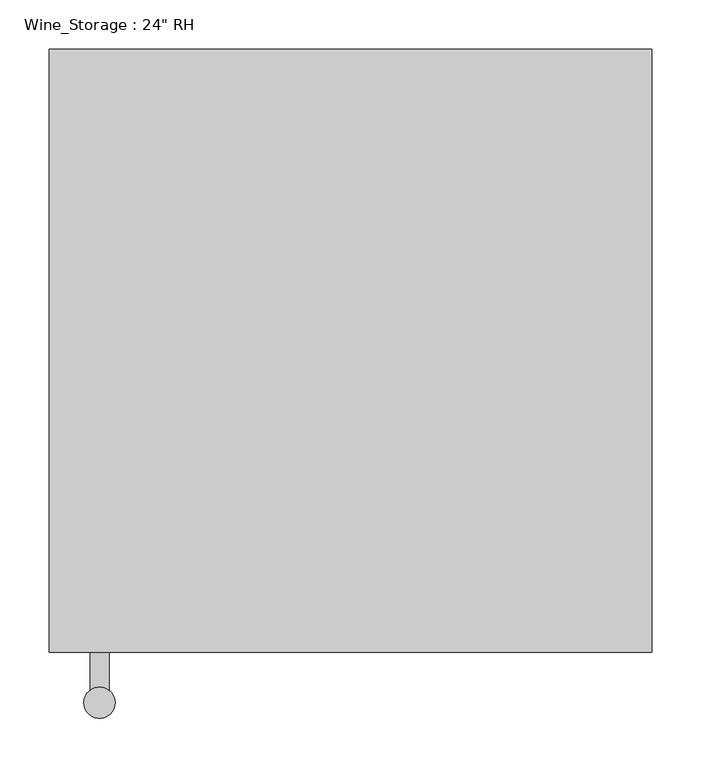
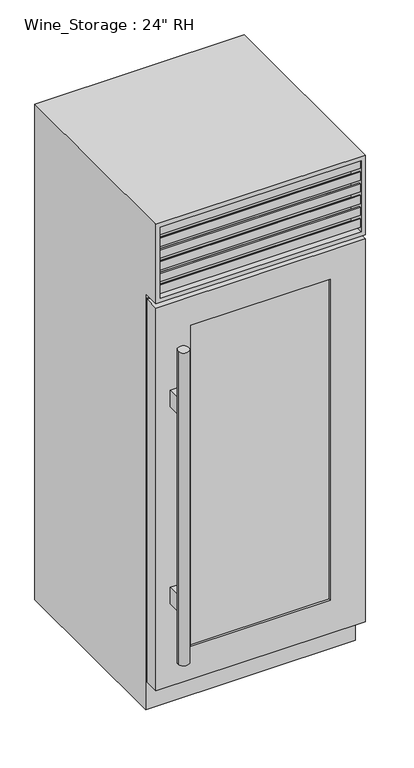
"""IFC4 building model written with IfcOpenShell, lengths in millimetres: proxy geometry."""

from ifc_helpers import new_model, si_unit, frame, origin, place, context, project, spatial, polyline, circle_curve, ellipse_curve, outline, extrude, faceted_brep, source, transform, mapped, element, save
from ifc_brep_helpers import plane_surface, cylinder_surface, advanced_brep


def proxy_4deba50d(model_context):
    return source(origin(), model_context, "Body", "SolidModel", [
        extrude(outline(polyline([(-660.4, 1292.225), (-708.025, 1304.9860803), (-708.025, 1330.3860803), (-704.85, 1330.3860803), (-704.85, 1307.5368938), (-660.4, 1295.6265522), (-660.4, 1292.225)])), frame((-292.1, 0.0, 0.0), z_axis=(1.0, 0.0, 0.0), x_axis=(0.0, 1.0, 0.0)), (0.0, 0.0, 1.0), 584.2),
        extrude(outline(polyline([(-660.4, 1328.4077839), (-708.025, 1341.1688642), (-708.025, 1366.5688642), (-704.85, 1366.5688642), (-704.85, 1343.7196777), (-660.4, 1331.8093361), (-660.4, 1328.4077839)])), frame((-292.1, 0.0, 0.0), z_axis=(1.0, 0.0, 0.0), x_axis=(0.0, 1.0, 0.0)), (0.0, 0.0, 1.0), 584.2),
        extrude(outline(polyline([(-660.4, 1364.5905679), (-708.025, 1377.3516482), (-708.025, 1402.7516482), (-704.85, 1402.7516482), (-704.85, 1379.9024616), (-660.4, 1367.99212), (-660.4, 1364.5905679)])), frame((-292.1, 0.0, 0.0), z_axis=(1.0, 0.0, 0.0), x_axis=(0.0, 1.0, 0.0)), (0.0, 0.0, 1.0), 584.2),
        extrude(outline(polyline([(-660.4, 1400.7733518), (-708.025, 1413.5344321), (-708.025, 1438.9344321), (-704.85, 1438.9344321), (-704.85, 1416.0852456), (-660.4, 1404.174904), (-660.4, 1400.7733518)])), frame((-292.1, 0.0, 0.0), z_axis=(1.0, 0.0, 0.0), x_axis=(0.0, 1.0, 0.0)), (0.0, 0.0, 1.0), 584.2),
        extrude(outline(polyline([(-660.4, 1436.9561358), (-708.025, 1449.7172161), (-708.025, 1475.1172161), (-704.85, 1475.1172161), (-704.85, 1452.2680295), (-660.4, 1440.3576879), (-660.4, 1436.9561358)])), frame((-292.1, 0.0, 0.0), z_axis=(1.0, 0.0, 0.0), x_axis=(0.0, 1.0, 0.0)), (0.0, 0.0, 1.0), 584.2),
        extrude(outline(polyline([(-660.4, 1473.1389197), (-708.025, 1485.9), (-708.025, 1511.3), (-704.85, 1511.3), (-704.85, 1488.4508135), (-660.4, 1476.5404719), (-660.4, 1473.1389197)])), frame((-292.1, 0.0, 0.0), z_axis=(1.0, 0.0, 0.0), x_axis=(0.0, 1.0, 0.0)), (0.0, 0.0, 1.0), 584.2),
        faceted_brep([(304.8, -711.2, 1524.0), (-304.8, -711.2, 1524.0), (-304.8, -711.2, 1279.525), (304.8, -711.2, 1279.525), (292.1, -711.2, 1511.3), (292.1, -711.2, 1292.225), (-292.1, -711.2, 1292.225), (-292.1, -711.2, 1511.3), (304.8, -101.6, 1524.0), (-304.8, -101.6, 1524.0), (-304.8, -101.6, 0.0), (-304.8, -660.4, 0.0), (-304.8, -660.4, 1279.525), (-279.4, -660.4, 1279.525), (-279.4, -152.894994, 1279.525), (279.4, -152.894994, 1279.525), (279.4, -660.4, 1279.525), (304.8, -660.4, 1279.525), (304.8, -660.4, 0.0), (304.8, -101.6, 0.0), (-292.1, -660.4, 1511.3), (292.1, -660.4, 1511.3), (-292.1, -660.4, 1292.225), (292.1, -660.4, 1292.225), (279.4, -660.4, 190.5), (-279.4, -660.4, 190.5), (-279.4, -152.894994, 190.5), (279.4, -152.894994, 190.5)], [[[0, 1, 2, 3], [4, 5, 6, 7]], [[1, 0, 8, 9]], [[2, 1, 9, 10, 11, 12]], [[3, 2, 12, 13, 14, 15, 16, 17]], [[0, 3, 17, 18, 19, 8]], [[4, 7, 20, 21]], [[7, 6, 22, 20]], [[6, 5, 23, 22]], [[5, 4, 21, 23]], [[19, 18, 11, 10]], [[9, 8, 19, 10]], [[21, 20, 22, 23]], [[11, 18, 17, 16, 24, 25, 13, 12]], [[15, 14, 26, 27]], [[15, 27, 24, 16]], [[27, 26, 25, 24]], [[26, 14, 13, 25]]]),
        extrude(outline(polyline([(1266.825, 304.8), (1266.825, -304.8), (88.9, -304.8), (88.9, 304.8), (1266.825, 304.8)]), holes=[polyline([(1177.925, 203.2), (190.5, 203.2), (190.5, -203.2), (1177.925, -203.2), (1177.925, 203.2)])]), frame((0.0, -711.2, 0.0), z_axis=(0.0, 1.0, 0.0), x_axis=(0.0, 0.0, 1.0)), (0.0, 0.0, 1.0), 44.45),
        extrude(outline(polyline([(-203.2, -692.1722524), (203.2, -692.1722524), (203.2, -704.85), (-203.2, -704.85), (-203.2, -692.1722524)])), frame((0.0, 0.0, 190.5), z_axis=(0.0, 0.0, 1.0), x_axis=(1.0, 0.0, 0.0)), (0.0, 0.0, 1.0), 987.425),
        advanced_brep(
        [(-244.475, -711.2, 1000.125), (-244.475, -711.2, 949.325), (-263.525, -711.2, 949.325), (-263.525, -711.2, 1000.125), (-244.475, -711.2, 393.7), (-244.475, -711.2, 342.9), (-263.525, -711.2, 342.9), (-263.525, -711.2, 393.7), (-244.475, -749.6741958, 1000.125), (-244.475, -749.6741958, 949.325), (-263.525, -749.6741958, 949.325), (-263.525, -749.6741958, 1000.125), (-244.475, -749.6741958, 393.7), (-244.475, -749.6741958, 342.9), (-263.525, -749.6741958, 342.9), (-263.525, -749.6741958, 393.7), (-269.875, -762.3741958, 1152.525), (-238.125, -762.3741958, 1152.525), (-269.875, -762.3741958, 190.5), (-238.125, -762.3741958, 190.5)],
        [
            (0, 1),
            (1, 2),
            (2, 3),
            (3, 0),
            (4, 5),
            (5, 6),
            (6, 7),
            (7, 4),
            (0, 8),
            (8, 9),
            (9, 1),
            (9, 10, circle_curve(frame((-254.0, -762.3741958, 949.325), z_axis=(0.0, 0.0, 1.0), x_axis=(1.0, 0.0, 0.0)), 15.875)),
            (10, 2),
            (10, 11),
            (11, 3),
            (11, 8, circle_curve(frame((-254.0, -762.3741958, 1000.125), z_axis=(0.0, 0.0, -1.0), x_axis=(1.0, 0.0, 0.0)), 15.875)),
            (4, 12),
            (12, 13),
            (13, 5),
            (13, 14, circle_curve(frame((-254.0, -762.3741958, 342.9), z_axis=(0.0, 0.0, 1.0), x_axis=(1.0, 0.0, 0.0)), 15.875)),
            (14, 6),
            (14, 15),
            (15, 7),
            (15, 12, circle_curve(frame((-254.0, -762.3741958, 393.7), z_axis=(0.0, 0.0, -1.0), x_axis=(1.0, 0.0, 0.0)), 15.875)),
            (16, 17, circle_curve(frame((-254.0, -762.3741958, 1152.525), z_axis=(0.0, 0.0, 1.0), x_axis=(1.0, 0.0, 0.0)), 15.875)),
            (17, 16, circle_curve(frame((-254.0, -762.3741958, 1152.525), z_axis=(0.0, 0.0, 1.0), x_axis=(1.0, 0.0, 0.0)), 15.875)),
            (18, 19, circle_curve(frame((-254.0, -762.3741958, 190.5), z_axis=(0.0, 0.0, -1.0), x_axis=(1.0, 0.0, 0.0)), 15.875)),
            (19, 18, circle_curve(frame((-254.0, -762.3741958, 190.5), z_axis=(0.0, 0.0, -1.0), x_axis=(1.0, 0.0, 0.0)), 15.875)),
            (16, 18),
            (19, 17),
        ],
        [
            plane_surface(frame((-244.475, -711.2, 1000.125), z_axis=(0.0, 1.0, 0.0), x_axis=(0.0, 0.0, -1.0))),
            plane_surface(frame((-244.475, -711.2, 1000.125), z_axis=(1.0, 0.0, 0.0), x_axis=(0.0, -1.0, 0.0))),
            plane_surface(frame((-244.475, -711.2, 949.325), z_axis=(0.0, 0.0, -1.0), x_axis=(0.0, -1.0, 0.0))),
            plane_surface(frame((-263.525, -711.2, 949.325), z_axis=(-1.0, 0.0, 0.0), x_axis=(0.0, -1.0, 0.0))),
            plane_surface(frame((-263.525, -711.2, 1000.125), z_axis=(0.0, 0.0, 1.0), x_axis=(0.0, -1.0, 0.0))),
            plane_surface(frame((-244.475, -711.2, 393.7), z_axis=(1.0, 0.0, 0.0), x_axis=(0.0, -1.0, 0.0))),
            plane_surface(frame((-244.475, -711.2, 342.9), z_axis=(0.0, 0.0, -1.0), x_axis=(0.0, -1.0, 0.0))),
            plane_surface(frame((-263.525, -711.2, 342.9), z_axis=(-1.0, 0.0, 0.0), x_axis=(0.0, -1.0, 0.0))),
            plane_surface(frame((-263.525, -711.2, 393.7), z_axis=(0.0, 0.0, 1.0), x_axis=(0.0, -1.0, 0.0))),
            plane_surface(frame((-238.125, -762.3741958, 1152.525), z_axis=(0.0, 0.0, 1.0), x_axis=(0.0, 1.0, 0.0))),
            plane_surface(frame((-238.125, -762.3741958, 190.5), z_axis=(0.0, 0.0, -1.0), x_axis=(0.0, -1.0, 0.0))),
            cylinder_surface(frame((-254.0, -762.3741958, 190.5), z_axis=(0.0, 0.0, 1.0), x_axis=(1.0, 0.0, 0.0)), 15.875),
        ],
        [
            (0, [[1, 2, 3, 4]]),
            (0, [[5, 6, 7, 8]]),
            (1, [[-1, 9, 10, 11]]),
            (2, [[-2, -11, 12, 13]]),
            (3, [[-3, -13, 14, 15]]),
            (4, [[-4, -15, 16, -9]]),
            (5, [[-5, 17, 18, 19]]),
            (6, [[-6, -19, 20, 21]]),
            (7, [[-7, -21, 22, 23]]),
            (8, [[-8, -23, 24, -17]]),
            (9, [[25, 26]]),
            (10, [[27, 28]]),
            (11, [[-25, 29, -28, 30]]),
            (11, [[-26, -30, -27, -29], [-10, -16, -14, -12], [-18, -24, -22, -20]]),
        ],
    ),
        advanced_brep(
        [(-301.625, -666.75, 1263.65), (-301.625, -660.4, 1263.65), (-301.625, -660.4, 92.075), (-301.625, -666.75, 92.075), (-298.45, -660.4, 1260.475), (-298.45, -666.75, 1260.475), (-298.45, -666.75, 95.25), (-298.45, -660.4, 95.25), (301.625, -660.4, 92.075), (301.625, -666.75, 92.075), (298.45, -666.75, 95.25), (298.45, -660.4, 95.25), (301.625, -660.4, 1263.65), (301.625, -666.75, 1263.65), (298.45, -666.75, 1260.475), (298.45, -660.4, 1260.475), (-279.4, -660.4, 1263.65), (279.4, -660.4, 1263.65), (279.4, -660.4, 1260.475), (-279.4, -660.4, 1260.475)],
        [
            (0, 1, ellipse_curve(frame((-301.625, -663.575, 1263.65), z_axis=(-0.7071067811865475, 0.0, -0.7071067811865475), x_axis=(-0.7071067811865474, 0.0, 0.7071067811865476)), 4.4901281, 3.175)),
            (1, 2),
            (2, 3, ellipse_curve(frame((-301.625, -663.575, 92.075), z_axis=(-0.7071067811865475, 0.0, 0.7071067811865475), x_axis=(0.7071067811865474, 0.0, 0.7071067811865476)), 4.4901281, 3.175)),
            (3, 0),
            (4, 5),
            (5, 6),
            (6, 7),
            (7, 4),
            (2, 8),
            (8, 9, ellipse_curve(frame((301.625, -663.575, 92.075), z_axis=(-0.7071067811865475, 0.0, -0.7071067811865475), x_axis=(-0.7071067811865476, 0.0, 0.7071067811865474)), 4.4901281, 3.175)),
            (9, 3),
            (6, 10),
            (10, 11),
            (11, 7),
            (8, 12),
            (12, 13, ellipse_curve(frame((301.625, -663.575, 1263.65), z_axis=(0.7071067811865475, 0.0, -0.7071067811865475), x_axis=(-0.7071067811865474, 0.0, -0.7071067811865476)), 4.4901281, 3.175)),
            (13, 9),
            (10, 14),
            (14, 15),
            (15, 11),
            (1, 16),
            (16, 17),
            (17, 12),
            (15, 18),
            (18, 19),
            (19, 4),
            (0, 13),
            (5, 14),
        ],
        [
            cylinder_surface(frame((-301.625, -663.575, 1266.825), z_axis=(0.0, 0.0, 1.0), x_axis=(0.0, -1.0, 0.0)), 3.175),
            plane_surface(frame((-298.45, -666.75, 1260.475), z_axis=(1.0, 0.0, 0.0), x_axis=(0.0, 0.0, -1.0))),
            cylinder_surface(frame((-304.8, -663.575, 92.075), z_axis=(-1.0, 0.0, 0.0), x_axis=(0.0, -1.0, 0.0)), 3.175),
            plane_surface(frame((-298.45, -666.75, 95.25), z_axis=(0.0, 0.0, 1.0), x_axis=(1.0, 0.0, 0.0))),
            cylinder_surface(frame((301.625, -663.575, 88.9), z_axis=(0.0, 0.0, -1.0), x_axis=(0.0, -1.0, 0.0)), 3.175),
            plane_surface(frame((298.45, -666.75, 95.25), z_axis=(-1.0, 0.0, 0.0), x_axis=(0.0, 0.0, 1.0))),
            plane_surface(frame((298.45, -660.4, 1260.475), z_axis=(0.0, 1.0, 0.0), x_axis=(-1.0, 0.0, 0.0))),
            cylinder_surface(frame((304.8, -663.575, 1263.65), z_axis=(1.0, 0.0, 0.0), x_axis=(0.0, -1.0, 0.0)), 3.175),
            plane_surface(frame((301.625, -666.75, 1263.65), z_axis=(0.0, -1.0, 0.0), x_axis=(-1.0, 0.0, 0.0))),
            plane_surface(frame((298.45, -666.75, 1260.475), z_axis=(0.0, 0.0, -1.0), x_axis=(-1.0, 0.0, 0.0))),
        ],
        [
            (0, [[1, 2, 3, 4]]),
            (1, [[5, 6, 7, 8]]),
            (2, [[-3, 9, 10, 11]]),
            (3, [[-7, 12, 13, 14]]),
            (4, [[-10, 15, 16, 17]]),
            (5, [[-13, 18, 19, 20]]),
            (6, [[-2, 21, 22, 23, -15, -9], [-8, -14, -20, 24, 25, 26]]),
            (7, [[-1, 27, -16, -23, -22, -21]]),
            (8, [[-4, -11, -17, -27], [-6, 28, -18, -12]]),
            (9, [[-5, -26, -25, -24, -19, -28]]),
        ],
    ),
    ])


if __name__ == "__main__":
    model = new_model("IFC4")
    model_context = context("Model", 3, world=origin())
    ifc_project = project(units=[si_unit("LENGTHUNIT", "METRE", prefix="MILLI")], contexts=[model_context])
    site = spatial("IfcSite", under=ifc_project)
    building = spatial("IfcBuilding", under=site)
    placement = place(None, origin())
    proxy_shape = proxy_4deba50d(model_context)
    element("IfcBuildingElementProxy", 1, Name="Wine_Storage : 24\" RH", ObjectType="Wine_Storage : 24\" RH", at=placement, inside=building, context=model_context, shape_type="MappedRepresentation", body=[
        mapped(proxy_shape, transform((0.0, 0.0, 0.0), x_axis=(1.0, 0.0, 0.0), y_axis=(0.0, 1.0, 0.0), z_axis=(0.0, 0.0, 1.0))),
    ])
    save(model, "model.ifc")
